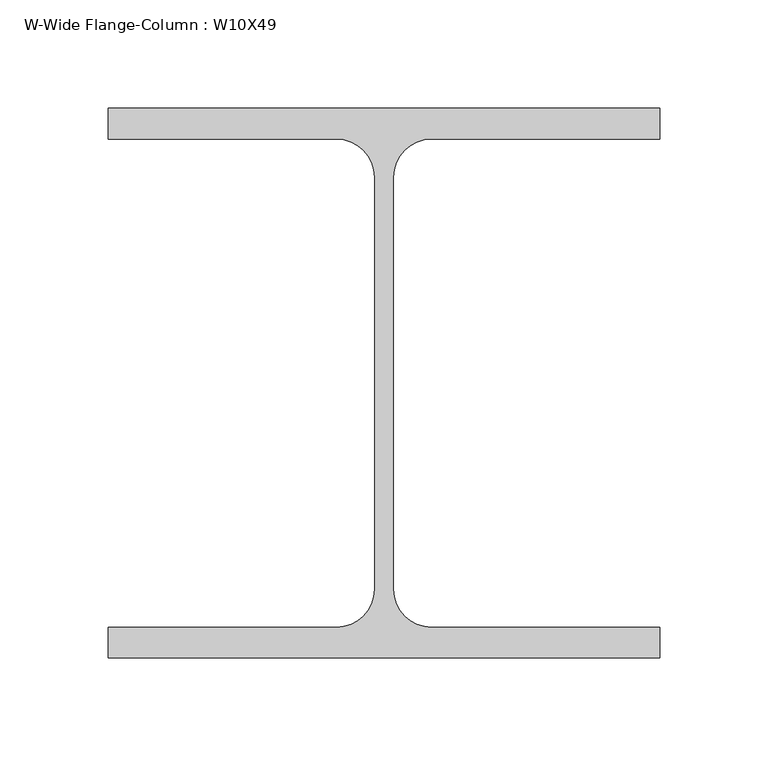
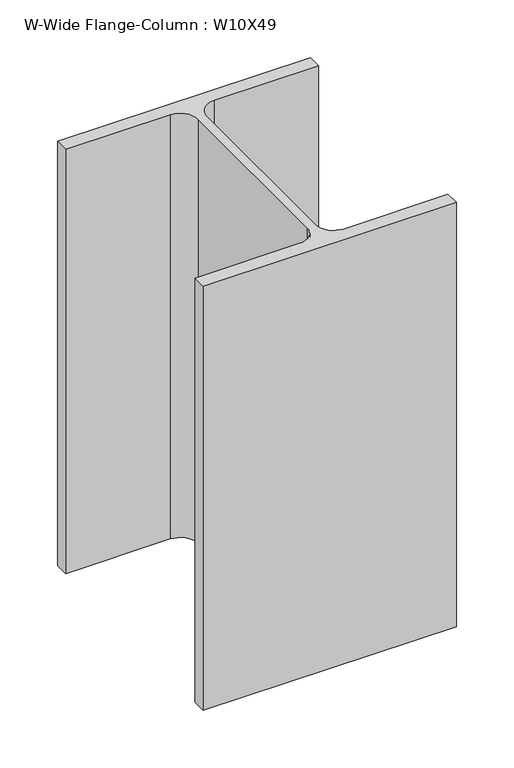
"""IFC4 building model written with IfcOpenShell, lengths in millimetres: column geometry, W-Wide Flange-Column : W10X49."""

from ifc_helpers import new_model, si_unit, point, frame, frame_2d, origin, place, context, project, spatial, polyline, circle_curve, trimmed, segment, composite_curve, outline, extrude, source, transform, mapped, element, save


def w_wide_flange_column_w10x49_76555651(model_context):
    return source(origin(), model_context, "Body", "SweptSolid", [
        extrude(outline(composite_curve([segment(polyline([(127.0, 126.7519531), (127.0, 112.5636719), (21.8777344, 112.5636719)]), True, "CONTINUOUS"), segment(trimmed(circle_curve(frame_2d((21.8777344, 95.0019531)), 17.5617188), [point((21.8777344, 112.5636719))], [point((4.3160156, 95.0019531))], True, "CARTESIAN"), True, "CONTINUOUS"), segment(polyline([(4.3160156, 95.0019531), (4.3160156, -95.0019531)]), True, "CONTINUOUS"), segment(trimmed(circle_curve(frame_2d((21.8777344, -95.0019531)), 17.5617187), [point((4.3160156, -95.0019531))], [point((21.8777344, -112.5636719))], True, "CARTESIAN"), True, "CONTINUOUS"), segment(polyline([(21.8777344, -112.5636719), (127.0, -112.5636719), (127.0, -126.7519531), (-127.0, -126.7519531), (-127.0, -112.5636719), (-21.8777344, -112.5636719)]), True, "CONTINUOUS"), segment(trimmed(circle_curve(frame_2d((-21.8777344, -95.0019531)), 17.5617187), [point((-21.8777344, -112.5636719))], [point((-4.3160156, -95.0019531))], True, "CARTESIAN"), True, "CONTINUOUS"), segment(polyline([(-4.3160156, -95.0019531), (-4.3160156, 95.0019531)]), True, "CONTINUOUS"), segment(trimmed(circle_curve(frame_2d((-21.8777344, 95.0019531)), 17.5617188), [point((-4.3160156, 95.0019531))], [point((-21.8777344, 112.5636719))], True, "CARTESIAN"), True, "CONTINUOUS"), segment(polyline([(-21.8777344, 112.5636719), (-127.0, 112.5636719), (-127.0, 126.7519531), (127.0, 126.7519531)]), True, "CONTINUOUS")], self_intersect=False)), frame((0.0, 0.0, 86550.0), z_axis=(0.0, 0.0, 1.0), x_axis=(1.0, 0.0, 0.0)), (0.0, 0.0, 1.0), 450.0),
    ])


if __name__ == "__main__":
    model = new_model("IFC4")
    model_context = context("Model", 3, world=origin())
    ifc_project = project(units=[si_unit("LENGTHUNIT", "METRE", prefix="MILLI")], contexts=[model_context])
    site = spatial("IfcSite", under=ifc_project)
    building = spatial("IfcBuilding", under=site)
    placement = place(None, origin())
    w_wide_flange_column_w10x49_shape = w_wide_flange_column_w10x49_76555651(model_context)
    element("IfcColumn", 1, ObjectType="W-Wide Flange-Column : W10X49", at=placement, inside=building, context=model_context, shape_type="MappedRepresentation", body=[
        mapped(w_wide_flange_column_w10x49_shape, transform((0.0, 0.0, 0.0), x_axis=(1.0, 0.0, 0.0), y_axis=(0.0, 1.0, 0.0), z_axis=(0.0, 0.0, 1.0))),
    ])
    save(model, "model.ifc")
